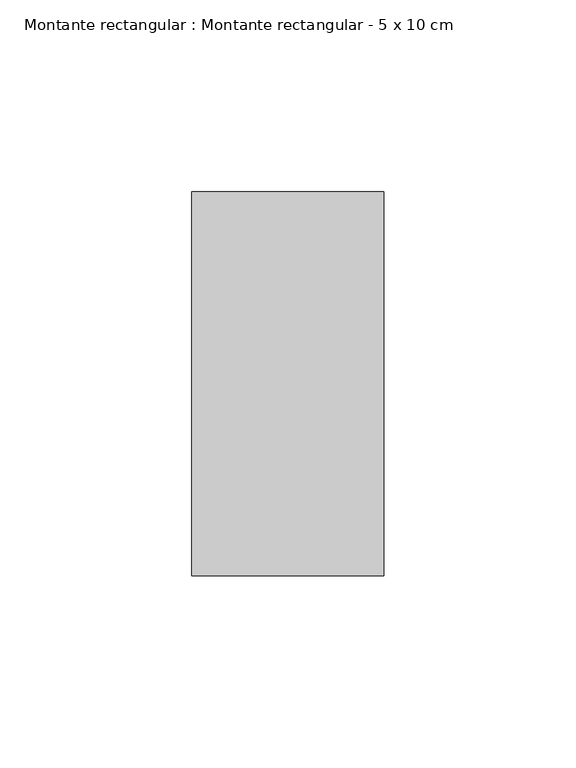
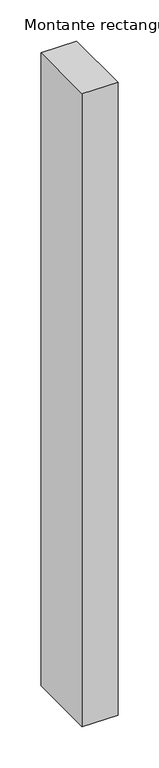
"""IFC4 building model written with IfcOpenShell, lengths in millimetres: member geometry, Montante rectangular : Montante rectangular - 5 x 10 cm."""

from ifc_helpers import new_model, si_unit, frame, origin, place, context, project, spatial, polyline, outline, extrude, source, transform, mapped, element, save


def montante_rectangular_montante_rectangular_5_x_10_cm_323278a2(model_context):
    return source(origin(), model_context, "Body", "SweptSolid", [
        extrude(outline(polyline([(0.0, 50.0), (0.0, -50.0), (-50.0, -50.0), (-50.0, 50.0), (0.0, 50.0)])), frame((0.0, 0.0, -938.0832678), z_axis=(0.0, 0.0, 1.0), x_axis=(1.0, 0.0, 0.0)), (0.0, 0.0, 1.0), 938.0832678),
    ])


if __name__ == "__main__":
    model = new_model("IFC4")
    model_context = context("Model", 3, world=origin())
    ifc_project = project(units=[si_unit("LENGTHUNIT", "METRE", prefix="MILLI")], contexts=[model_context])
    site = spatial("IfcSite", under=ifc_project)
    building = spatial("IfcBuilding", under=site)
    placement = place(None, origin())
    montante_rectangular_montante_rectangular_5_x_10_cm_shape = montante_rectangular_montante_rectangular_5_x_10_cm_323278a2(model_context)
    element("IfcMember", 1, ObjectType="Montante rectangular : Montante rectangular - 5 x 10 cm", at=placement, inside=building, context=model_context, shape_type="MappedRepresentation", body=[
        mapped(montante_rectangular_montante_rectangular_5_x_10_cm_shape, transform((0.0, 0.0, 0.0), x_axis=(1.0, 0.0, 0.0), y_axis=(0.0, 1.0, 0.0), z_axis=(0.0, 0.0, 1.0))),
    ])
    save(model, "model.ifc")
